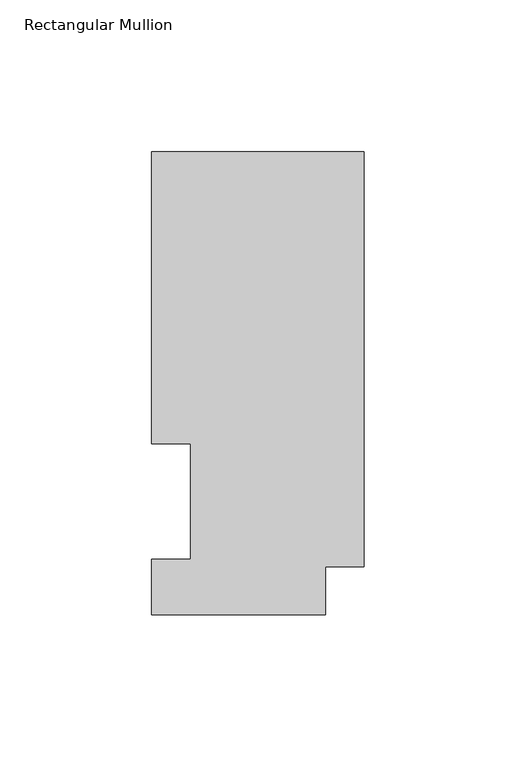
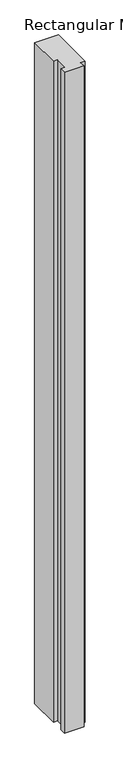
"""IFC4 building model written with IfcOpenShell, lengths in millimetres: member geometry, Rectangular Mullion."""

from ifc_helpers import new_model, si_unit, frame, origin, place, context, project, spatial, polyline, outline, extrude, source, transform, mapped, element, save


def rectangular_mullion_43c651ce(model_context):
    return source(origin(), model_context, "Body", "SweptSolid", [
        extrude(outline(polyline([(-69.85, 152.36825), (0.0, 152.36825), (0.0, 15.86865), (-12.7, 15.86865), (-12.7, -0.03175), (-69.85, -0.03175), (-69.85, 18.25625), (-57.15, 18.25625), (-57.15, 56.35625), (-69.85, 56.35625), (-69.85, 152.36825)])), frame((0.0, 0.0, -2063.75), z_axis=(0.0, 0.0, 1.0), x_axis=(1.0, 0.0, 0.0)), (0.0, 0.0, 1.0), 2063.75),
    ])


if __name__ == "__main__":
    model = new_model("IFC4")
    model_context = context("Model", 3, world=origin())
    ifc_project = project(units=[si_unit("LENGTHUNIT", "METRE", prefix="MILLI")], contexts=[model_context])
    site = spatial("IfcSite", under=ifc_project)
    building = spatial("IfcBuilding", under=site)
    placement = place(None, origin())
    rectangular_mullion_shape = rectangular_mullion_43c651ce(model_context)
    element("IfcMember", 1, ObjectType="Rectangular Mullion", at=placement, inside=building, context=model_context, shape_type="MappedRepresentation", body=[
        mapped(rectangular_mullion_shape, transform((0.0, 0.0, 0.0), x_axis=(1.0, 0.0, 0.0), y_axis=(0.0, 1.0, 0.0), z_axis=(0.0, 0.0, 1.0))),
    ])
    save(model, "model.ifc")
